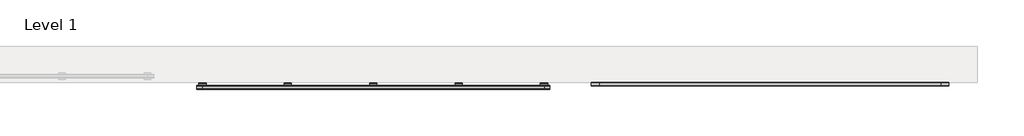
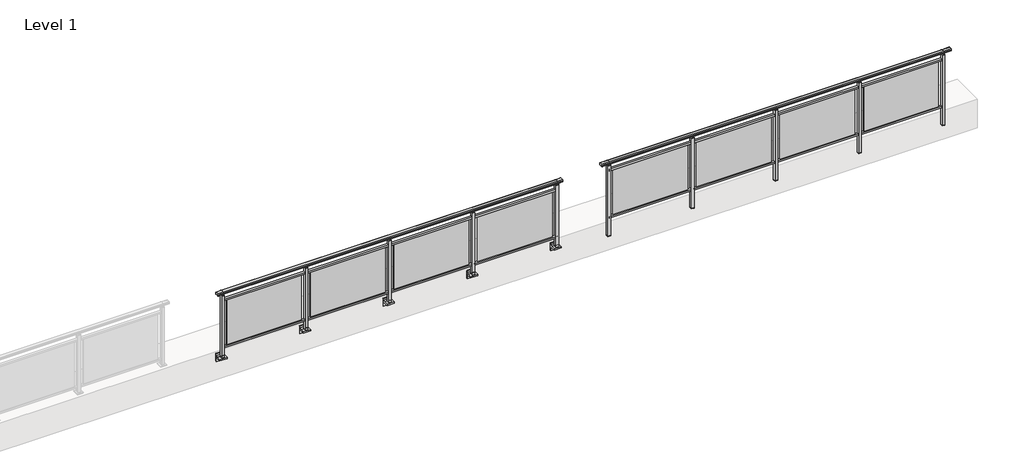
# One storey, part 4 of 64: 2 railings.
"""IFC4 building model written with IfcOpenShell, lengths in millimetres."""

from ifc_helpers import new_model, si_unit, point, frame, frame_2d, origin, place, context, project, spatial, polyline, circle_curve, trimmed, segment, composite_curve, outline, extrude, element, save
from ifc_brep_helpers import plane_surface, cylinder_surface, revolved_surface, advanced_brep

model = new_model("IFC4")

# Units and contexts
model_context = context("Model", 3, world=origin())
ifc_project = project(units=[si_unit("LENGTHUNIT", "METRE", prefix="MILLI")], contexts=[model_context])

# Site, building, storey
site = spatial("IfcSite", under=ifc_project)
building = spatial("IfcBuilding", under=site)
storey = spatial("IfcBuildingStorey", under=building, Name="Level 1", Elevation=0.0)

# Railings
placement = place(None, origin())
element("IfcRailing", 1, at=placement, inside=storey, context=model_context, shape_type="SolidModel", body=[
    advanced_brep(
    [(49372.5, -107.1366244, 1095.6691182), (49372.5, -102.3153172, 1081.1334092), (49372.5, -103.2586256, 1069.2539035), (49372.5, -101.3635823, 1061.4863007), (49372.5, -103.0105201, 1060.384124), (49372.5, -103.0105201, 1062.0), (49372.5, -161.6201142, 1062.0), (49372.5, -161.6201142, 1060.384124), (49372.5, -163.267052, 1061.4863007), (49372.5, -161.3720088, 1069.2539035), (49372.5, -162.3153172, 1081.1334092), (49372.5, -157.49401, 1095.6691182), (55227.5, -107.1366244, 1095.6691182), (55227.5, -157.49401, 1095.6691182), (55227.5, -162.3153172, 1081.1334092), (55227.5, -161.3720088, 1069.2539035), (55227.5, -163.267052, 1061.4863007), (55227.5, -161.6201142, 1060.384124), (55227.5, -161.6201142, 1062.0), (55227.5, -103.0105201, 1062.0), (55227.5, -103.0105201, 1060.384124), (55227.5, -101.3635823, 1061.4863007), (55227.5, -103.2586256, 1069.2539035), (55227.5, -102.3153172, 1081.1334092), (49500.0, -107.1366244, 1095.6691182), (49500.0, -102.3153172, 1081.1334092), (49500.0, -103.2586256, 1069.2539035), (49500.0, -101.3635823, 1061.4863007), (49500.0, -103.0105201, 1060.384124), (49500.0, -103.0105201, 1062.0), (49500.0, -161.6201142, 1062.0), (49500.0, -161.6201142, 1060.384124), (49500.0, -163.267052, 1061.4863007), (49500.0, -161.3720088, 1069.2539035), (49500.0, -162.3153172, 1081.1334092), (49500.0, -157.49401, 1095.6691182), (55100.0, -107.1366244, 1095.6691182), (55100.0, -102.3153172, 1081.1334092), (55100.0, -103.2586256, 1069.2539035), (55100.0, -101.3635823, 1061.4863007), (55100.0, -103.0105201, 1060.384124), (55100.0, -103.0105201, 1062.0), (55100.0, -161.6201142, 1062.0), (55100.0, -161.6201142, 1060.384124), (55100.0, -163.267052, 1061.4863007), (55100.0, -161.3720088, 1069.2539035), (55100.0, -162.3153172, 1081.1334092), (55100.0, -157.49401, 1095.6691182)],
    [
        (0, 1, circle_curve(frame((49372.5, -110.3776155, 1086.526686), z_axis=(-1.0, 0.0, 0.0), x_axis=(0.0, -1.0, 0.0)), 9.6999015)),
        (1, 2, circle_curve(frame((49372.5, -84.7747455, 1073.7633709), z_axis=(1.0, 0.0, 0.0), x_axis=(0.0, -1.0, 0.0)), 19.0260117)),
        (2, 3),
        (3, 4, circle_curve(frame((49372.5, -102.2227927, 1060.9886194), z_axis=(-1.0, 0.0, 0.0), x_axis=(0.0, -1.0, 0.0)), 0.9929396)),
        (4, 5),
        (5, 6),
        (6, 7),
        (7, 8, circle_curve(frame((49372.5, -162.4078416, 1060.9886194), z_axis=(-1.0, 0.0, 0.0), x_axis=(0.0, 1.0, 0.0)), 0.9929396)),
        (8, 9),
        (9, 10, circle_curve(frame((49372.5, -179.8558889, 1073.7633709), z_axis=(1.0, 0.0, 0.0), x_axis=(0.0, 1.0, 0.0)), 19.0260117)),
        (10, 11, circle_curve(frame((49372.5, -154.2530188, 1086.526686), z_axis=(-1.0, 0.0, 0.0), x_axis=(0.0, 1.0, 0.0)), 9.6999015)),
        (11, 0, circle_curve(frame((49372.5, -132.3153172, 1024.6431628), z_axis=(-1.0, 0.0, 0.0), x_axis=(0.0, 1.0, 0.0)), 75.3568372)),
        (12, 13, circle_curve(frame((55227.5, -132.3153172, 1024.6431628), z_axis=(1.0, 0.0, 0.0), x_axis=(0.0, 1.0, 0.0)), 75.3568372)),
        (13, 14, circle_curve(frame((55227.5, -154.2530188, 1086.526686), z_axis=(1.0, 0.0, 0.0), x_axis=(0.0, 1.0, 0.0)), 9.6999015)),
        (14, 15, circle_curve(frame((55227.5, -179.8558889, 1073.7633709), z_axis=(-1.0, 0.0, 0.0), x_axis=(0.0, 1.0, 0.0)), 19.0260117)),
        (15, 16),
        (16, 17, circle_curve(frame((55227.5, -162.4078416, 1060.9886194), z_axis=(1.0, 0.0, 0.0), x_axis=(0.0, 1.0, 0.0)), 0.9929396)),
        (17, 18),
        (18, 19),
        (19, 20),
        (20, 21, circle_curve(frame((55227.5, -102.2227927, 1060.9886194), z_axis=(1.0, 0.0, 0.0), x_axis=(0.0, -1.0, 0.0)), 0.9929396)),
        (21, 22),
        (22, 23, circle_curve(frame((55227.5, -84.7747455, 1073.7633709), z_axis=(-1.0, 0.0, 0.0), x_axis=(0.0, -1.0, 0.0)), 19.0260117)),
        (23, 12, circle_curve(frame((55227.5, -110.3776155, 1086.526686), z_axis=(1.0, 0.0, 0.0), x_axis=(0.0, -1.0, 0.0)), 9.6999015)),
        (0, 24),
        (24, 25, circle_curve(frame((49500.0, -110.3776155, 1086.526686), z_axis=(-1.0, 0.0, 0.0), x_axis=(0.0, -1.0, 0.0)), 9.6999015)),
        (25, 1),
        (25, 26, circle_curve(frame((49500.0, -84.7747455, 1073.7633709), z_axis=(1.0, 0.0, 0.0), x_axis=(0.0, -1.0, 0.0)), 19.0260117)),
        (26, 2),
        (26, 27),
        (27, 3),
        (27, 28, circle_curve(frame((49500.0, -102.2227927, 1060.9886194), z_axis=(-1.0, 0.0, 0.0), x_axis=(0.0, -1.0, 0.0)), 0.9929396)),
        (28, 4),
        (28, 29),
        (29, 5),
        (29, 30),
        (30, 6),
        (30, 31),
        (31, 7),
        (31, 32, circle_curve(frame((49500.0, -162.4078416, 1060.9886194), z_axis=(-1.0, 0.0, 0.0), x_axis=(0.0, 1.0, 0.0)), 0.9929396)),
        (32, 8),
        (32, 33),
        (33, 9),
        (33, 34, circle_curve(frame((49500.0, -179.8558889, 1073.7633709), z_axis=(1.0, 0.0, 0.0), x_axis=(0.0, 1.0, 0.0)), 19.0260117)),
        (34, 10),
        (34, 35, circle_curve(frame((49500.0, -154.2530188, 1086.526686), z_axis=(-1.0, 0.0, 0.0), x_axis=(0.0, 1.0, 0.0)), 9.6999015)),
        (35, 11),
        (35, 24, circle_curve(frame((49500.0, -132.3153172, 1024.6431628), z_axis=(-1.0, 0.0, 0.0), x_axis=(0.0, 1.0, 0.0)), 75.3568372)),
        (24, 36),
        (36, 37, circle_curve(frame((55100.0, -110.3776155, 1086.526686), z_axis=(-1.0, 0.0, 0.0), x_axis=(0.0, -1.0, 0.0)), 9.6999015)),
        (37, 25),
        (37, 38, circle_curve(frame((55100.0, -84.7747455, 1073.7633709), z_axis=(1.0, 0.0, 0.0), x_axis=(0.0, -1.0, 0.0)), 19.0260117)),
        (38, 26),
        (38, 39),
        (39, 27),
        (39, 40, circle_curve(frame((55100.0, -102.2227927, 1060.9886194), z_axis=(-1.0, 0.0, 0.0), x_axis=(0.0, -1.0, 0.0)), 0.9929396)),
        (40, 28),
        (40, 41),
        (41, 29),
        (41, 42),
        (42, 30),
        (42, 43),
        (43, 31),
        (43, 44, circle_curve(frame((55100.0, -162.4078416, 1060.9886194), z_axis=(-1.0, 0.0, 0.0), x_axis=(0.0, 1.0, 0.0)), 0.9929396)),
        (44, 32),
        (44, 45),
        (45, 33),
        (45, 46, circle_curve(frame((55100.0, -179.8558889, 1073.7633709), z_axis=(1.0, 0.0, 0.0), x_axis=(0.0, 1.0, 0.0)), 19.0260117)),
        (46, 34),
        (46, 47, circle_curve(frame((55100.0, -154.2530188, 1086.526686), z_axis=(-1.0, 0.0, 0.0), x_axis=(0.0, 1.0, 0.0)), 9.6999015)),
        (47, 35),
        (47, 36, circle_curve(frame((55100.0, -132.3153172, 1024.6431628), z_axis=(-1.0, 0.0, 0.0), x_axis=(0.0, 1.0, 0.0)), 75.3568372)),
        (36, 12),
        (23, 37),
        (22, 38),
        (21, 39),
        (20, 40),
        (19, 41),
        (18, 42),
        (17, 43),
        (16, 44),
        (15, 45),
        (14, 46),
        (13, 47),
    ],
    [
        plane_surface(frame((49372.5, -132.3153172, 1100.0), z_axis=(-1.0, 0.0, 0.0), x_axis=(0.0, 1.0, 0.0))),
        plane_surface(frame((55227.5, -132.3153172, 1100.0), z_axis=(1.0, 0.0, 0.0), x_axis=(0.0, 1.0, 0.0))),
        cylinder_surface(frame((49372.5, -110.3776155, 1086.526686), z_axis=(-1.0, 0.0, 0.0), x_axis=(0.0, -1.0, 0.0)), 9.6999015),
        revolved_surface(polyline([(49500.0, -103.80075719999999, 1073.7633709), (49372.5, -103.80075719999999, 1073.7633709)]), (49372.5, -84.7747455, 1073.7633709), (1.0, 0.0, 0.0)),
        plane_surface(frame((49372.5, -103.2586256, 1069.2539035), z_axis=(0.0, 0.9715057689301543, 0.2370159086125439), x_axis=(1.0, 0.0, 0.0))),
        cylinder_surface(frame((49372.5, -102.2227927, 1060.9886194), z_axis=(-1.0, 0.0, 0.0), x_axis=(0.0, -1.0, 0.0)), 0.9929396),
        plane_surface(frame((49372.5, -103.0105201, 1060.384124), z_axis=(0.0, -1.0, 0.0), x_axis=(1.0, 0.0, 0.0))),
        plane_surface(frame((49372.5, -103.0105201, 1062.0), z_axis=(0.0, 0.0, -1.0), x_axis=(1.0, 0.0, 0.0))),
        plane_surface(frame((49372.5, -161.6201142, 1062.0), z_axis=(0.0, 1.0, 0.0), x_axis=(1.0, 0.0, 0.0))),
        cylinder_surface(frame((49372.5, -162.4078416, 1060.9886194), z_axis=(-1.0, 0.0, 0.0), x_axis=(0.0, 1.0, 0.0)), 0.9929396),
        plane_surface(frame((49372.5, -163.267052, 1061.4863007), z_axis=(0.0, -0.9715057689301543, 0.2370159086125439), x_axis=(1.0, 0.0, 0.0))),
        revolved_surface(polyline([(49500.0, -160.8298772, 1073.7633709), (49372.5, -160.8298772, 1073.7633709)]), (49372.5, -179.8558889, 1073.7633709), (1.0, 0.0, 0.0)),
        cylinder_surface(frame((49372.5, -154.2530188, 1086.526686), z_axis=(-1.0, 0.0, 0.0), x_axis=(0.0, 1.0, 0.0)), 9.6999015),
        cylinder_surface(frame((49372.5, -132.3153172, 1024.6431628), z_axis=(-1.0, 0.0, 0.0), x_axis=(0.0, 1.0, 0.0)), 75.3568372),
        cylinder_surface(frame((49500.0, -110.3776155, 1086.526686), z_axis=(-1.0, 0.0, 0.0), x_axis=(0.0, -1.0, 0.0)), 9.6999015),
        revolved_surface(polyline([(55100.0, -103.80075719999999, 1073.7633709), (49500.0, -103.80075719999999, 1073.7633709)]), (49500.0, -84.7747455, 1073.7633709), (1.0, 0.0, 0.0)),
        plane_surface(frame((49500.0, -103.2586256, 1069.2539035), z_axis=(0.0, 0.9715057689301543, 0.2370159086125439), x_axis=(1.0, 0.0, 0.0))),
        cylinder_surface(frame((49500.0, -102.2227927, 1060.9886194), z_axis=(-1.0, 0.0, 0.0), x_axis=(0.0, -1.0, 0.0)), 0.9929396),
        plane_surface(frame((49500.0, -103.0105201, 1060.384124), z_axis=(0.0, -1.0, 0.0), x_axis=(1.0, 0.0, 0.0))),
        plane_surface(frame((49500.0, -103.0105201, 1062.0), z_axis=(0.0, 0.0, -1.0), x_axis=(1.0, 0.0, 0.0))),
        plane_surface(frame((49500.0, -161.6201142, 1062.0), z_axis=(0.0, 1.0, 0.0), x_axis=(1.0, 0.0, 0.0))),
        cylinder_surface(frame((49500.0, -162.4078416, 1060.9886194), z_axis=(-1.0, 0.0, 0.0), x_axis=(0.0, 1.0, 0.0)), 0.9929396),
        plane_surface(frame((49500.0, -163.267052, 1061.4863007), z_axis=(0.0, -0.9715057689301543, 0.2370159086125439), x_axis=(1.0, 0.0, 0.0))),
        revolved_surface(polyline([(55100.0, -160.8298772, 1073.7633709), (49500.0, -160.8298772, 1073.7633709)]), (49500.0, -179.8558889, 1073.7633709), (1.0, 0.0, 0.0)),
        cylinder_surface(frame((49500.0, -154.2530188, 1086.526686), z_axis=(-1.0, 0.0, 0.0), x_axis=(0.0, 1.0, 0.0)), 9.6999015),
        cylinder_surface(frame((49500.0, -132.3153172, 1024.6431628), z_axis=(-1.0, 0.0, 0.0), x_axis=(0.0, 1.0, 0.0)), 75.3568372),
        cylinder_surface(frame((55100.0, -110.3776155, 1086.526686), z_axis=(-1.0, 0.0, 0.0), x_axis=(0.0, -1.0, 0.0)), 9.6999015),
        revolved_surface(polyline([(55227.5, -103.80075719999999, 1073.7633709), (55100.0, -103.80075719999999, 1073.7633709)]), (55100.0, -84.7747455, 1073.7633709), (1.0, 0.0, 0.0)),
        plane_surface(frame((55100.0, -103.2586256, 1069.2539035), z_axis=(0.0, 0.9715057689301543, 0.2370159086125439), x_axis=(1.0, 0.0, 0.0))),
        cylinder_surface(frame((55100.0, -102.2227927, 1060.9886194), z_axis=(-1.0, 0.0, 0.0), x_axis=(0.0, -1.0, 0.0)), 0.9929396),
        plane_surface(frame((55100.0, -103.0105201, 1060.384124), z_axis=(0.0, -1.0, 0.0), x_axis=(1.0, 0.0, 0.0))),
        plane_surface(frame((55100.0, -103.0105201, 1062.0), z_axis=(0.0, 0.0, -1.0), x_axis=(1.0, 0.0, 0.0))),
        plane_surface(frame((55100.0, -161.6201142, 1062.0), z_axis=(0.0, 1.0, 0.0), x_axis=(1.0, 0.0, 0.0))),
        cylinder_surface(frame((55100.0, -162.4078416, 1060.9886194), z_axis=(-1.0, 0.0, 0.0), x_axis=(0.0, 1.0, 0.0)), 0.9929396),
        plane_surface(frame((55100.0, -163.267052, 1061.4863007), z_axis=(0.0, -0.9715057689301543, 0.2370159086125439), x_axis=(1.0, 0.0, 0.0))),
        revolved_surface(polyline([(55227.5, -160.8298772, 1073.7633709), (55100.0, -160.8298772, 1073.7633709)]), (55100.0, -179.8558889, 1073.7633709), (1.0, 0.0, 0.0)),
        cylinder_surface(frame((55100.0, -154.2530188, 1086.526686), z_axis=(-1.0, 0.0, 0.0), x_axis=(0.0, 1.0, 0.0)), 9.6999015),
        cylinder_surface(frame((55100.0, -132.3153172, 1024.6431628), z_axis=(-1.0, 0.0, 0.0), x_axis=(0.0, 1.0, 0.0)), 75.3568372),
    ],
    [
        (0, [[1, 2, 3, 4, 5, 6, 7, 8, 9, 10, 11, 12]]),
        (1, [[13, 14, 15, 16, 17, 18, 19, 20, 21, 22, 23, 24]]),
        (2, [[-1, 25, 26, 27]]),
        (3, [[-2, -27, 28, 29]]),
        (4, [[-3, -29, 30, 31]]),
        (5, [[-4, -31, 32, 33]]),
        (6, [[-5, -33, 34, 35]]),
        (7, [[-6, -35, 36, 37]]),
        (8, [[-7, -37, 38, 39]]),
        (9, [[-8, -39, 40, 41]]),
        (10, [[-9, -41, 42, 43]]),
        (11, [[-10, -43, 44, 45]]),
        (12, [[-11, -45, 46, 47]]),
        (13, [[-12, -47, 48, -25]]),
        (14, [[-26, 49, 50, 51]]),
        (15, [[-28, -51, 52, 53]]),
        (16, [[-30, -53, 54, 55]]),
        (17, [[-32, -55, 56, 57]]),
        (18, [[-34, -57, 58, 59]]),
        (19, [[-36, -59, 60, 61]]),
        (20, [[-38, -61, 62, 63]]),
        (21, [[-40, -63, 64, 65]]),
        (22, [[-42, -65, 66, 67]]),
        (23, [[-44, -67, 68, 69]]),
        (24, [[-46, -69, 70, 71]]),
        (25, [[-48, -71, 72, -49]]),
        (26, [[-50, 73, -24, 74]]),
        (27, [[-52, -74, -23, 75]]),
        (28, [[-54, -75, -22, 76]]),
        (29, [[-56, -76, -21, 77]]),
        (30, [[-58, -77, -20, 78]]),
        (31, [[-60, -78, -19, 79]]),
        (32, [[-62, -79, -18, 80]]),
        (33, [[-64, -80, -17, 81]]),
        (34, [[-66, -81, -16, 82]]),
        (35, [[-68, -82, -15, 83]]),
        (36, [[-70, -83, -14, 84]]),
        (37, [[-72, -84, -13, -73]]),
    ],
),
    extrude(outline(polyline([(49500.0, -149.8153172), (49500.0, -114.8153172), (55100.0, -114.8153172), (55100.0, -149.8153172), (49500.0, -149.8153172)])), frame((0.0, 0.0, 930.0), z_axis=(0.0, 0.0, 1.0), x_axis=(1.0, 0.0, 0.0)), (0.0, 0.0, 1.0), 30.0),
    extrude(outline(polyline([(49500.0, -149.8153172), (49500.0, -114.8153172), (55100.0, -114.8153172), (55100.0, -149.8153172), (49500.0, -149.8153172)])), frame((0.0, 0.0, 95.0), z_axis=(0.0, 0.0, 1.0), x_axis=(1.0, 0.0, 0.0)), (0.0, 0.0, 1.0), 30.0),
    extrude(outline(polyline([(53772.5, -134.0905071), (53772.5, -128.0905071), (55027.5, -128.0905071), (55027.5, -134.0905071), (53772.5, -134.0905071)])), frame((0.0, 0.0, 125.0), z_axis=(0.0, 0.0, 1.0), x_axis=(1.0, 0.0, 0.0)), (0.0, 0.0, 1.0), 805.0),
    extrude(outline(polyline([(53722.5, -109.8153172), (53722.5, -154.8153172), (53677.5, -154.8153172), (53677.5, -109.8153172), (53722.5, -109.8153172)])), frame((0.0, 0.0, 1027.0), z_axis=(0.0, 0.0, 1.0), x_axis=(1.0, 0.0, 0.0)), (0.0, 0.0, 1.0), 8.0),
    extrude(outline(polyline([(53722.5, -109.8153172), (53722.5, -154.8153172), (53677.5, -154.8153172), (53677.5, -109.8153172), (53722.5, -109.8153172)])), frame((0.0, 0.0, -212.0), z_axis=(0.0, 0.0, 1.0), x_axis=(1.0, 0.0, 0.0)), (0.0, 0.0, 1.0), 1239.0),
    extrude(outline(polyline([(53710.0, -122.3153172), (53710.0, -142.3153172), (53690.0, -142.3153172), (53690.0, -122.3153172), (53710.0, -122.3153172)])), frame((0.0, 0.0, 1035.0), z_axis=(0.0, 0.0, 1.0), x_axis=(1.0, 0.0, 0.0)), (0.0, 0.0, 1.0), 20.0),
    extrude(outline(polyline([(53722.5, -109.8153172), (53722.5, -154.8153172), (53677.5, -154.8153172), (53677.5, -109.8153172), (53722.5, -109.8153172)])), frame((0.0, 0.0, -220.0), z_axis=(0.0, 0.0, 1.0), x_axis=(1.0, 0.0, 0.0)), (0.0, 0.0, 1.0), 8.0),
    extrude(outline(polyline([(52372.5, -134.0905071), (52372.5, -128.0905071), (53627.5, -128.0905071), (53627.5, -134.0905071), (52372.5, -134.0905071)])), frame((0.0, 0.0, 125.0), z_axis=(0.0, 0.0, 1.0), x_axis=(1.0, 0.0, 0.0)), (0.0, 0.0, 1.0), 805.0),
    extrude(outline(polyline([(52322.5, -109.8153172), (52322.5, -154.8153172), (52277.5, -154.8153172), (52277.5, -109.8153172), (52322.5, -109.8153172)])), frame((0.0, 0.0, 1027.0), z_axis=(0.0, 0.0, 1.0), x_axis=(1.0, 0.0, 0.0)), (0.0, 0.0, 1.0), 8.0),
    extrude(outline(polyline([(52322.5, -109.8153172), (52322.5, -154.8153172), (52277.5, -154.8153172), (52277.5, -109.8153172), (52322.5, -109.8153172)])), frame((0.0, 0.0, -212.0), z_axis=(0.0, 0.0, 1.0), x_axis=(1.0, 0.0, 0.0)), (0.0, 0.0, 1.0), 1239.0),
    extrude(outline(polyline([(52310.0, -122.3153172), (52310.0, -142.3153172), (52290.0, -142.3153172), (52290.0, -122.3153172), (52310.0, -122.3153172)])), frame((0.0, 0.0, 1035.0), z_axis=(0.0, 0.0, 1.0), x_axis=(1.0, 0.0, 0.0)), (0.0, 0.0, 1.0), 20.0),
    extrude(outline(polyline([(52322.5, -109.8153172), (52322.5, -154.8153172), (52277.5, -154.8153172), (52277.5, -109.8153172), (52322.5, -109.8153172)])), frame((0.0, 0.0, -220.0), z_axis=(0.0, 0.0, 1.0), x_axis=(1.0, 0.0, 0.0)), (0.0, 0.0, 1.0), 8.0),
    extrude(outline(polyline([(50972.5, -134.0905071), (50972.5, -128.0905071), (52227.5, -128.0905071), (52227.5, -134.0905071), (50972.5, -134.0905071)])), frame((0.0, 0.0, 125.0), z_axis=(0.0, 0.0, 1.0), x_axis=(1.0, 0.0, 0.0)), (0.0, 0.0, 1.0), 805.0),
    extrude(outline(polyline([(50922.5, -109.8153172), (50922.5, -154.8153172), (50877.5, -154.8153172), (50877.5, -109.8153172), (50922.5, -109.8153172)])), frame((0.0, 0.0, 1027.0), z_axis=(0.0, 0.0, 1.0), x_axis=(1.0, 0.0, 0.0)), (0.0, 0.0, 1.0), 8.0),
    extrude(outline(polyline([(50922.5, -109.8153172), (50922.5, -154.8153172), (50877.5, -154.8153172), (50877.5, -109.8153172), (50922.5, -109.8153172)])), frame((0.0, 0.0, -212.0), z_axis=(0.0, 0.0, 1.0), x_axis=(1.0, 0.0, 0.0)), (0.0, 0.0, 1.0), 1239.0),
    extrude(outline(polyline([(50910.0, -122.3153172), (50910.0, -142.3153172), (50890.0, -142.3153172), (50890.0, -122.3153172), (50910.0, -122.3153172)])), frame((0.0, 0.0, 1035.0), z_axis=(0.0, 0.0, 1.0), x_axis=(1.0, 0.0, 0.0)), (0.0, 0.0, 1.0), 20.0),
    extrude(outline(polyline([(50922.5, -109.8153172), (50922.5, -154.8153172), (50877.5, -154.8153172), (50877.5, -109.8153172), (50922.5, -109.8153172)])), frame((0.0, 0.0, -220.0), z_axis=(0.0, 0.0, 1.0), x_axis=(1.0, 0.0, 0.0)), (0.0, 0.0, 1.0), 8.0),
    extrude(outline(polyline([(49572.5, -134.0905071), (49572.5, -128.0905071), (50827.5, -128.0905071), (50827.5, -134.0905071), (49572.5, -134.0905071)])), frame((0.0, 0.0, 125.0), z_axis=(0.0, 0.0, 1.0), x_axis=(1.0, 0.0, 0.0)), (0.0, 0.0, 1.0), 805.0),
    extrude(outline(polyline([(55122.5, -109.8153172), (55122.5, -154.8153172), (55077.5, -154.8153172), (55077.5, -109.8153172), (55122.5, -109.8153172)])), frame((0.0, 0.0, 1027.0), z_axis=(0.0, 0.0, 1.0), x_axis=(1.0, 0.0, 0.0)), (0.0, 0.0, 1.0), 8.0),
    extrude(outline(polyline([(55122.5, -109.8153172), (55122.5, -154.8153172), (55077.5, -154.8153172), (55077.5, -109.8153172), (55122.5, -109.8153172)])), frame((0.0, 0.0, -212.0), z_axis=(0.0, 0.0, 1.0), x_axis=(1.0, 0.0, 0.0)), (0.0, 0.0, 1.0), 1239.0),
    extrude(outline(polyline([(55110.0, -122.3153172), (55110.0, -142.3153172), (55090.0, -142.3153172), (55090.0, -122.3153172), (55110.0, -122.3153172)])), frame((0.0, 0.0, 1035.0), z_axis=(0.0, 0.0, 1.0), x_axis=(1.0, 0.0, 0.0)), (0.0, 0.0, 1.0), 20.0),
    extrude(outline(polyline([(55122.5, -109.8153172), (55122.5, -154.8153172), (55077.5, -154.8153172), (55077.5, -109.8153172), (55122.5, -109.8153172)])), frame((0.0, 0.0, -220.0), z_axis=(0.0, 0.0, 1.0), x_axis=(1.0, 0.0, 0.0)), (0.0, 0.0, 1.0), 8.0),
    extrude(outline(polyline([(49522.5, -109.8153172), (49522.5, -154.8153172), (49477.5, -154.8153172), (49477.5, -109.8153172), (49522.5, -109.8153172)])), frame((0.0, 0.0, 1027.0), z_axis=(0.0, 0.0, 1.0), x_axis=(1.0, 0.0, 0.0)), (0.0, 0.0, 1.0), 8.0),
    extrude(outline(polyline([(49522.5, -109.8153172), (49522.5, -154.8153172), (49477.5, -154.8153172), (49477.5, -109.8153172), (49522.5, -109.8153172)])), frame((0.0, 0.0, -212.0), z_axis=(0.0, 0.0, 1.0), x_axis=(1.0, 0.0, 0.0)), (0.0, 0.0, 1.0), 1239.0),
    extrude(outline(polyline([(49510.0, -122.3153172), (49510.0, -142.3153172), (49490.0, -142.3153172), (49490.0, -122.3153172), (49510.0, -122.3153172)])), frame((0.0, 0.0, 1035.0), z_axis=(0.0, 0.0, 1.0), x_axis=(1.0, 0.0, 0.0)), (0.0, 0.0, 1.0), 20.0),
    extrude(outline(polyline([(49522.5, -109.8153172), (49522.5, -154.8153172), (49477.5, -154.8153172), (49477.5, -109.8153172), (49522.5, -109.8153172)])), frame((0.0, 0.0, -220.0), z_axis=(0.0, 0.0, 1.0), x_axis=(1.0, 0.0, 0.0)), (0.0, 0.0, 1.0), 8.0),
])
element("IfcRailing", 2, at=placement, inside=storey, context=model_context, shape_type="SolidModel", body=[
    advanced_brep(
    [(42910.0, -157.1366244, 1095.6691182), (42910.0, -152.3153172, 1081.1334092), (42910.0, -153.2586256, 1069.2539035), (42910.0, -151.3635823, 1061.4863007), (42910.0, -153.0105201, 1060.384124), (42910.0, -153.0105201, 1062.0), (42910.0, -211.6201142, 1062.0), (42910.0, -211.6201142, 1060.384124), (42910.0, -213.267052, 1061.4863007), (42910.0, -211.3720088, 1069.2539035), (42910.0, -212.3153172, 1081.1334092), (42910.0, -207.49401, 1095.6691182), (48690.0, -157.1366244, 1095.6691182), (48690.0, -207.49401, 1095.6691182), (48690.0, -212.3153172, 1081.1334092), (48690.0, -211.3720088, 1069.2539035), (48690.0, -213.267052, 1061.4863007), (48690.0, -211.6201142, 1060.384124), (48690.0, -211.6201142, 1062.0), (48690.0, -153.0105201, 1062.0), (48690.0, -153.0105201, 1060.384124), (48690.0, -151.3635823, 1061.4863007), (48690.0, -153.2586256, 1069.2539035), (48690.0, -152.3153172, 1081.1334092), (43000.0, -157.1366244, 1095.6691182), (43000.0, -152.3153172, 1081.1334092), (43000.0, -153.2586256, 1069.2539035), (43000.0, -151.3635823, 1061.4863007), (43000.0, -153.0105201, 1060.384124), (43000.0, -153.0105201, 1062.0), (43000.0, -211.6201142, 1062.0), (43000.0, -211.6201142, 1060.384124), (43000.0, -213.267052, 1061.4863007), (43000.0, -211.3720088, 1069.2539035), (43000.0, -212.3153172, 1081.1334092), (43000.0, -207.49401, 1095.6691182), (48600.0, -157.1366244, 1095.6691182), (48600.0, -152.3153172, 1081.1334092), (48600.0, -153.2586256, 1069.2539035), (48600.0, -151.3635823, 1061.4863007), (48600.0, -153.0105201, 1060.384124), (48600.0, -153.0105201, 1062.0), (48600.0, -211.6201142, 1062.0), (48600.0, -211.6201142, 1060.384124), (48600.0, -213.267052, 1061.4863007), (48600.0, -211.3720088, 1069.2539035), (48600.0, -212.3153172, 1081.1334092), (48600.0, -207.49401, 1095.6691182)],
    [
        (0, 1, circle_curve(frame((42910.0, -160.3776155, 1086.526686), z_axis=(-1.0, 0.0, 0.0), x_axis=(0.0, -1.0, 0.0)), 9.6999015)),
        (1, 2, circle_curve(frame((42910.0, -134.7747455, 1073.7633709), z_axis=(1.0, 0.0, 0.0), x_axis=(0.0, -1.0, 0.0)), 19.0260117)),
        (2, 3),
        (3, 4, circle_curve(frame((42910.0, -152.2227927, 1060.9886194), z_axis=(-1.0, 0.0, 0.0), x_axis=(0.0, -1.0, 0.0)), 0.9929396)),
        (4, 5),
        (5, 6),
        (6, 7),
        (7, 8, circle_curve(frame((42910.0, -212.4078416, 1060.9886194), z_axis=(-1.0, 0.0, 0.0), x_axis=(0.0, 1.0, 0.0)), 0.9929396)),
        (8, 9),
        (9, 10, circle_curve(frame((42910.0, -229.8558889, 1073.7633709), z_axis=(1.0, 0.0, 0.0), x_axis=(0.0, 1.0, 0.0)), 19.0260117)),
        (10, 11, circle_curve(frame((42910.0, -204.2530188, 1086.526686), z_axis=(-1.0, 0.0, 0.0), x_axis=(0.0, 1.0, 0.0)), 9.6999015)),
        (11, 0, circle_curve(frame((42910.0, -182.3153172, 1024.6431628), z_axis=(-1.0, 0.0, 0.0), x_axis=(0.0, 1.0, 0.0)), 75.3568372)),
        (12, 13, circle_curve(frame((48690.0, -182.3153172, 1024.6431628), z_axis=(1.0, 0.0, 0.0), x_axis=(0.0, 1.0, 0.0)), 75.3568372)),
        (13, 14, circle_curve(frame((48690.0, -204.2530188, 1086.526686), z_axis=(1.0, 0.0, 0.0), x_axis=(0.0, 1.0, 0.0)), 9.6999015)),
        (14, 15, circle_curve(frame((48690.0, -229.8558889, 1073.7633709), z_axis=(-1.0, 0.0, 0.0), x_axis=(0.0, 1.0, 0.0)), 19.0260117)),
        (15, 16),
        (16, 17, circle_curve(frame((48690.0, -212.4078416, 1060.9886194), z_axis=(1.0, 0.0, 0.0), x_axis=(0.0, 1.0, 0.0)), 0.9929396)),
        (17, 18),
        (18, 19),
        (19, 20),
        (20, 21, circle_curve(frame((48690.0, -152.2227927, 1060.9886194), z_axis=(1.0, 0.0, 0.0), x_axis=(0.0, -1.0, 0.0)), 0.9929396)),
        (21, 22),
        (22, 23, circle_curve(frame((48690.0, -134.7747455, 1073.7633709), z_axis=(-1.0, 0.0, 0.0), x_axis=(0.0, -1.0, 0.0)), 19.0260117)),
        (23, 12, circle_curve(frame((48690.0, -160.3776155, 1086.526686), z_axis=(1.0, 0.0, 0.0), x_axis=(0.0, -1.0, 0.0)), 9.6999015)),
        (0, 24),
        (24, 25, circle_curve(frame((43000.0, -160.3776155, 1086.526686), z_axis=(-1.0, 0.0, 0.0), x_axis=(0.0, -1.0, 0.0)), 9.6999015)),
        (25, 1),
        (25, 26, circle_curve(frame((43000.0, -134.7747455, 1073.7633709), z_axis=(1.0, 0.0, 0.0), x_axis=(0.0, -1.0, 0.0)), 19.0260117)),
        (26, 2),
        (26, 27),
        (27, 3),
        (27, 28, circle_curve(frame((43000.0, -152.2227927, 1060.9886194), z_axis=(-1.0, 0.0, 0.0), x_axis=(0.0, -1.0, 0.0)), 0.9929396)),
        (28, 4),
        (28, 29),
        (29, 5),
        (29, 30),
        (30, 6),
        (30, 31),
        (31, 7),
        (31, 32, circle_curve(frame((43000.0, -212.4078416, 1060.9886194), z_axis=(-1.0, 0.0, 0.0), x_axis=(0.0, 1.0, 0.0)), 0.9929396)),
        (32, 8),
        (32, 33),
        (33, 9),
        (33, 34, circle_curve(frame((43000.0, -229.8558889, 1073.7633709), z_axis=(1.0, 0.0, 0.0), x_axis=(0.0, 1.0, 0.0)), 19.0260117)),
        (34, 10),
        (34, 35, circle_curve(frame((43000.0, -204.2530188, 1086.526686), z_axis=(-1.0, 0.0, 0.0), x_axis=(0.0, 1.0, 0.0)), 9.6999015)),
        (35, 11),
        (35, 24, circle_curve(frame((43000.0, -182.3153172, 1024.6431628), z_axis=(-1.0, 0.0, 0.0), x_axis=(0.0, 1.0, 0.0)), 75.3568372)),
        (24, 36),
        (36, 37, circle_curve(frame((48600.0, -160.3776155, 1086.526686), z_axis=(-1.0, 0.0, 0.0), x_axis=(0.0, -1.0, 0.0)), 9.6999015)),
        (37, 25),
        (37, 38, circle_curve(frame((48600.0, -134.7747455, 1073.7633709), z_axis=(1.0, 0.0, 0.0), x_axis=(0.0, -1.0, 0.0)), 19.0260117)),
        (38, 26),
        (38, 39),
        (39, 27),
        (39, 40, circle_curve(frame((48600.0, -152.2227927, 1060.9886194), z_axis=(-1.0, 0.0, 0.0), x_axis=(0.0, -1.0, 0.0)), 0.9929396)),
        (40, 28),
        (40, 41),
        (41, 29),
        (41, 42),
        (42, 30),
        (42, 43),
        (43, 31),
        (43, 44, circle_curve(frame((48600.0, -212.4078416, 1060.9886194), z_axis=(-1.0, 0.0, 0.0), x_axis=(0.0, 1.0, 0.0)), 0.9929396)),
        (44, 32),
        (44, 45),
        (45, 33),
        (45, 46, circle_curve(frame((48600.0, -229.8558889, 1073.7633709), z_axis=(1.0, 0.0, 0.0), x_axis=(0.0, 1.0, 0.0)), 19.0260117)),
        (46, 34),
        (46, 47, circle_curve(frame((48600.0, -204.2530188, 1086.526686), z_axis=(-1.0, 0.0, 0.0), x_axis=(0.0, 1.0, 0.0)), 9.6999015)),
        (47, 35),
        (47, 36, circle_curve(frame((48600.0, -182.3153172, 1024.6431628), z_axis=(-1.0, 0.0, 0.0), x_axis=(0.0, 1.0, 0.0)), 75.3568372)),
        (36, 12),
        (23, 37),
        (22, 38),
        (21, 39),
        (20, 40),
        (19, 41),
        (18, 42),
        (17, 43),
        (16, 44),
        (15, 45),
        (14, 46),
        (13, 47),
    ],
    [
        plane_surface(frame((42910.0, -182.3153172, 1100.0), z_axis=(-1.0, 0.0, 0.0), x_axis=(0.0, 1.0, 0.0))),
        plane_surface(frame((48690.0, -182.3153172, 1100.0), z_axis=(1.0, 0.0, 0.0), x_axis=(0.0, 1.0, 0.0))),
        cylinder_surface(frame((42910.0, -160.3776155, 1086.526686), z_axis=(-1.0, 0.0, 0.0), x_axis=(0.0, -1.0, 0.0)), 9.6999015),
        revolved_surface(polyline([(43000.0, -153.8007572, 1073.7633709), (42910.0, -153.8007572, 1073.7633709)]), (42910.0, -134.7747455, 1073.7633709), (1.0, 0.0, 0.0)),
        plane_surface(frame((42910.0, -153.2586256, 1069.2539035), z_axis=(0.0, 0.9715057689301543, 0.2370159086125439), x_axis=(1.0, 0.0, 0.0))),
        cylinder_surface(frame((42910.0, -152.2227927, 1060.9886194), z_axis=(-1.0, 0.0, 0.0), x_axis=(0.0, -1.0, 0.0)), 0.9929396),
        plane_surface(frame((42910.0, -153.0105201, 1060.384124), z_axis=(0.0, -1.0, 0.0), x_axis=(1.0, 0.0, 0.0))),
        plane_surface(frame((42910.0, -153.0105201, 1062.0), z_axis=(0.0, 0.0, -1.0), x_axis=(1.0, 0.0, 0.0))),
        plane_surface(frame((42910.0, -211.6201142, 1062.0), z_axis=(0.0, 1.0, 0.0), x_axis=(1.0, 0.0, 0.0))),
        cylinder_surface(frame((42910.0, -212.4078416, 1060.9886194), z_axis=(-1.0, 0.0, 0.0), x_axis=(0.0, 1.0, 0.0)), 0.9929396),
        plane_surface(frame((42910.0, -213.267052, 1061.4863007), z_axis=(0.0, -0.9715057689301543, 0.2370159086125439), x_axis=(1.0, 0.0, 0.0))),
        revolved_surface(polyline([(43000.0, -210.8298772, 1073.7633709), (42910.0, -210.8298772, 1073.7633709)]), (42910.0, -229.8558889, 1073.7633709), (1.0, 0.0, 0.0)),
        cylinder_surface(frame((42910.0, -204.2530188, 1086.526686), z_axis=(-1.0, 0.0, 0.0), x_axis=(0.0, 1.0, 0.0)), 9.6999015),
        cylinder_surface(frame((42910.0, -182.3153172, 1024.6431628), z_axis=(-1.0, 0.0, 0.0), x_axis=(0.0, 1.0, 0.0)), 75.3568372),
        cylinder_surface(frame((43000.0, -160.3776155, 1086.526686), z_axis=(-1.0, 0.0, 0.0), x_axis=(0.0, -1.0, 0.0)), 9.6999015),
        revolved_surface(polyline([(48600.0, -153.8007572, 1073.7633709), (43000.0, -153.8007572, 1073.7633709)]), (43000.0, -134.7747455, 1073.7633709), (1.0, 0.0, 0.0)),
        plane_surface(frame((43000.0, -153.2586256, 1069.2539035), z_axis=(0.0, 0.9715057689301543, 0.2370159086125439), x_axis=(1.0, 0.0, 0.0))),
        cylinder_surface(frame((43000.0, -152.2227927, 1060.9886194), z_axis=(-1.0, 0.0, 0.0), x_axis=(0.0, -1.0, 0.0)), 0.9929396),
        plane_surface(frame((43000.0, -153.0105201, 1060.384124), z_axis=(0.0, -1.0, 0.0), x_axis=(1.0, 0.0, 0.0))),
        plane_surface(frame((43000.0, -153.0105201, 1062.0), z_axis=(0.0, 0.0, -1.0), x_axis=(1.0, 0.0, 0.0))),
        plane_surface(frame((43000.0, -211.6201142, 1062.0), z_axis=(0.0, 1.0, 0.0), x_axis=(1.0, 0.0, 0.0))),
        cylinder_surface(frame((43000.0, -212.4078416, 1060.9886194), z_axis=(-1.0, 0.0, 0.0), x_axis=(0.0, 1.0, 0.0)), 0.9929396),
        plane_surface(frame((43000.0, -213.267052, 1061.4863007), z_axis=(0.0, -0.9715057689301543, 0.2370159086125439), x_axis=(1.0, 0.0, 0.0))),
        revolved_surface(polyline([(48600.0, -210.8298772, 1073.7633709), (43000.0, -210.8298772, 1073.7633709)]), (43000.0, -229.8558889, 1073.7633709), (1.0, 0.0, 0.0)),
        cylinder_surface(frame((43000.0, -204.2530188, 1086.526686), z_axis=(-1.0, 0.0, 0.0), x_axis=(0.0, 1.0, 0.0)), 9.6999015),
        cylinder_surface(frame((43000.0, -182.3153172, 1024.6431628), z_axis=(-1.0, 0.0, 0.0), x_axis=(0.0, 1.0, 0.0)), 75.3568372),
        cylinder_surface(frame((48600.0, -160.3776155, 1086.526686), z_axis=(-1.0, 0.0, 0.0), x_axis=(0.0, -1.0, 0.0)), 9.6999015),
        revolved_surface(polyline([(48690.0, -153.8007572, 1073.7633709), (48600.0, -153.8007572, 1073.7633709)]), (48600.0, -134.7747455, 1073.7633709), (1.0, 0.0, 0.0)),
        plane_surface(frame((48600.0, -153.2586256, 1069.2539035), z_axis=(0.0, 0.9715057689301543, 0.2370159086125439), x_axis=(1.0, 0.0, 0.0))),
        cylinder_surface(frame((48600.0, -152.2227927, 1060.9886194), z_axis=(-1.0, 0.0, 0.0), x_axis=(0.0, -1.0, 0.0)), 0.9929396),
        plane_surface(frame((48600.0, -153.0105201, 1060.384124), z_axis=(0.0, -1.0, 0.0), x_axis=(1.0, 0.0, 0.0))),
        plane_surface(frame((48600.0, -153.0105201, 1062.0), z_axis=(0.0, 0.0, -1.0), x_axis=(1.0, 0.0, 0.0))),
        plane_surface(frame((48600.0, -211.6201142, 1062.0), z_axis=(0.0, 1.0, 0.0), x_axis=(1.0, 0.0, 0.0))),
        cylinder_surface(frame((48600.0, -212.4078416, 1060.9886194), z_axis=(-1.0, 0.0, 0.0), x_axis=(0.0, 1.0, 0.0)), 0.9929396),
        plane_surface(frame((48600.0, -213.267052, 1061.4863007), z_axis=(0.0, -0.9715057689301543, 0.2370159086125439), x_axis=(1.0, 0.0, 0.0))),
        revolved_surface(polyline([(48690.0, -210.8298772, 1073.7633709), (48600.0, -210.8298772, 1073.7633709)]), (48600.0, -229.8558889, 1073.7633709), (1.0, 0.0, 0.0)),
        cylinder_surface(frame((48600.0, -204.2530188, 1086.526686), z_axis=(-1.0, 0.0, 0.0), x_axis=(0.0, 1.0, 0.0)), 9.6999015),
        cylinder_surface(frame((48600.0, -182.3153172, 1024.6431628), z_axis=(-1.0, 0.0, 0.0), x_axis=(0.0, 1.0, 0.0)), 75.3568372),
    ],
    [
        (0, [[1, 2, 3, 4, 5, 6, 7, 8, 9, 10, 11, 12]]),
        (1, [[13, 14, 15, 16, 17, 18, 19, 20, 21, 22, 23, 24]]),
        (2, [[-1, 25, 26, 27]]),
        (3, [[-2, -27, 28, 29]]),
        (4, [[-3, -29, 30, 31]]),
        (5, [[-4, -31, 32, 33]]),
        (6, [[-5, -33, 34, 35]]),
        (7, [[-6, -35, 36, 37]]),
        (8, [[-7, -37, 38, 39]]),
        (9, [[-8, -39, 40, 41]]),
        (10, [[-9, -41, 42, 43]]),
        (11, [[-10, -43, 44, 45]]),
        (12, [[-11, -45, 46, 47]]),
        (13, [[-12, -47, 48, -25]]),
        (14, [[-26, 49, 50, 51]]),
        (15, [[-28, -51, 52, 53]]),
        (16, [[-30, -53, 54, 55]]),
        (17, [[-32, -55, 56, 57]]),
        (18, [[-34, -57, 58, 59]]),
        (19, [[-36, -59, 60, 61]]),
        (20, [[-38, -61, 62, 63]]),
        (21, [[-40, -63, 64, 65]]),
        (22, [[-42, -65, 66, 67]]),
        (23, [[-44, -67, 68, 69]]),
        (24, [[-46, -69, 70, 71]]),
        (25, [[-48, -71, 72, -49]]),
        (26, [[-50, 73, -24, 74]]),
        (27, [[-52, -74, -23, 75]]),
        (28, [[-54, -75, -22, 76]]),
        (29, [[-56, -76, -21, 77]]),
        (30, [[-58, -77, -20, 78]]),
        (31, [[-60, -78, -19, 79]]),
        (32, [[-62, -79, -18, 80]]),
        (33, [[-64, -80, -17, 81]]),
        (34, [[-66, -81, -16, 82]]),
        (35, [[-68, -82, -15, 83]]),
        (36, [[-70, -83, -14, 84]]),
        (37, [[-72, -84, -13, -73]]),
    ],
),
    extrude(outline(polyline([(43000.0, -199.8153172), (43000.0, -164.8153172), (48600.0, -164.8153172), (48600.0, -199.8153172), (43000.0, -199.8153172)])), frame((0.0, 0.0, 930.0), z_axis=(0.0, 0.0, 1.0), x_axis=(1.0, 0.0, 0.0)), (0.0, 0.0, 1.0), 30.0),
    extrude(outline(polyline([(43000.0, -199.8153172), (43000.0, -164.8153172), (48600.0, -164.8153172), (48600.0, -199.8153172), (43000.0, -199.8153172)])), frame((0.0, 0.0, 95.0), z_axis=(0.0, 0.0, 1.0), x_axis=(1.0, 0.0, 0.0)), (0.0, 0.0, 1.0), 30.0),
    extrude(outline(polyline([(47272.5, -184.0905071), (47272.5, -178.0905071), (48527.5, -178.0905071), (48527.5, -184.0905071), (47272.5, -184.0905071)])), frame((0.0, 0.0, 125.0), z_axis=(0.0, 0.0, 1.0), x_axis=(1.0, 0.0, 0.0)), (0.0, 0.0, 1.0), 805.0),
    extrude(outline(composite_curve([segment(polyline([(-149.8153172, -70.0), (-115.8153172, -63.0), (-115.8153172, -32.5), (-99.8153172, -32.5), (-99.8153172, -167.5), (-115.8153172, -167.5), (-115.8153172, -113.5)]), True, "CONTINUOUS"), segment(trimmed(circle_curve(frame_2d((-135.8153172, -113.5)), 20.0), [point((-115.8153172, -113.5))], [point((-135.8153172, -93.5))], True, "CARTESIAN"), True, "CONTINUOUS"), segment(polyline([(-135.8153172, -93.5), (-219.8153172, -93.5), (-219.8153172, -70.0), (-149.8153172, -70.0)]), True, "CONTINUOUS")], self_intersect=False)), frame((47140.0, 0.0, 0.0), z_axis=(1.0, 0.0, 0.0), x_axis=(0.0, 1.0, 0.0)), (0.0, 0.0, 1.0), 120.0),
    extrude(outline(polyline([(47222.5, -159.8153172), (47222.5, -204.8153172), (47177.5, -204.8153172), (47177.5, -159.8153172), (47222.5, -159.8153172)])), frame((0.0, 0.0, -70.0), z_axis=(0.0, 0.0, 1.0), x_axis=(1.0, 0.0, 0.0)), (0.0, 0.0, 1.0), 1097.0),
    extrude(outline(polyline([(47210.0, -172.3153172), (47210.0, -192.3153172), (47190.0, -192.3153172), (47190.0, -172.3153172), (47210.0, -172.3153172)])), frame((0.0, 0.0, 1035.0), z_axis=(0.0, 0.0, 1.0), x_axis=(1.0, 0.0, 0.0)), (0.0, 0.0, 1.0), 20.0),
    extrude(outline(polyline([(47222.5, -159.8153172), (47222.5, -204.8153172), (47177.5, -204.8153172), (47177.5, -159.8153172), (47222.5, -159.8153172)])), frame((0.0, 0.0, 1027.0), z_axis=(0.0, 0.0, 1.0), x_axis=(1.0, 0.0, 0.0)), (0.0, 0.0, 1.0), 8.0),
    extrude(outline(polyline([(45872.5, -184.0905071), (45872.5, -178.0905071), (47127.5, -178.0905071), (47127.5, -184.0905071), (45872.5, -184.0905071)])), frame((0.0, 0.0, 125.0), z_axis=(0.0, 0.0, 1.0), x_axis=(1.0, 0.0, 0.0)), (0.0, 0.0, 1.0), 805.0),
    extrude(outline(composite_curve([segment(polyline([(-149.8153172, -70.0), (-115.8153172, -63.0), (-115.8153172, -32.5), (-99.8153172, -32.5), (-99.8153172, -167.5), (-115.8153172, -167.5), (-115.8153172, -113.5)]), True, "CONTINUOUS"), segment(trimmed(circle_curve(frame_2d((-135.8153172, -113.5)), 20.0), [point((-115.8153172, -113.5))], [point((-135.8153172, -93.5))], True, "CARTESIAN"), True, "CONTINUOUS"), segment(polyline([(-135.8153172, -93.5), (-219.8153172, -93.5), (-219.8153172, -70.0), (-149.8153172, -70.0)]), True, "CONTINUOUS")], self_intersect=False)), frame((45740.0, 0.0, 0.0), z_axis=(1.0, 0.0, 0.0), x_axis=(0.0, 1.0, 0.0)), (0.0, 0.0, 1.0), 120.0),
    extrude(outline(polyline([(45822.5, -159.8153172), (45822.5, -204.8153172), (45777.5, -204.8153172), (45777.5, -159.8153172), (45822.5, -159.8153172)])), frame((0.0, 0.0, -70.0), z_axis=(0.0, 0.0, 1.0), x_axis=(1.0, 0.0, 0.0)), (0.0, 0.0, 1.0), 1097.0),
    extrude(outline(polyline([(45810.0, -172.3153172), (45810.0, -192.3153172), (45790.0, -192.3153172), (45790.0, -172.3153172), (45810.0, -172.3153172)])), frame((0.0, 0.0, 1035.0), z_axis=(0.0, 0.0, 1.0), x_axis=(1.0, 0.0, 0.0)), (0.0, 0.0, 1.0), 20.0),
    extrude(outline(polyline([(45822.5, -159.8153172), (45822.5, -204.8153172), (45777.5, -204.8153172), (45777.5, -159.8153172), (45822.5, -159.8153172)])), frame((0.0, 0.0, 1027.0), z_axis=(0.0, 0.0, 1.0), x_axis=(1.0, 0.0, 0.0)), (0.0, 0.0, 1.0), 8.0),
    extrude(outline(polyline([(44472.5, -184.0905071), (44472.5, -178.0905071), (45727.5, -178.0905071), (45727.5, -184.0905071), (44472.5, -184.0905071)])), frame((0.0, 0.0, 125.0), z_axis=(0.0, 0.0, 1.0), x_axis=(1.0, 0.0, 0.0)), (0.0, 0.0, 1.0), 805.0),
    extrude(outline(composite_curve([segment(polyline([(-149.8153172, -70.0), (-115.8153172, -63.0), (-115.8153172, -32.5), (-99.8153172, -32.5), (-99.8153172, -167.5), (-115.8153172, -167.5), (-115.8153172, -113.5)]), True, "CONTINUOUS"), segment(trimmed(circle_curve(frame_2d((-135.8153172, -113.5)), 20.0), [point((-115.8153172, -113.5))], [point((-135.8153172, -93.5))], True, "CARTESIAN"), True, "CONTINUOUS"), segment(polyline([(-135.8153172, -93.5), (-219.8153172, -93.5), (-219.8153172, -70.0), (-149.8153172, -70.0)]), True, "CONTINUOUS")], self_intersect=False)), frame((44340.0, 0.0, 0.0), z_axis=(1.0, 0.0, 0.0), x_axis=(0.0, 1.0, 0.0)), (0.0, 0.0, 1.0), 120.0),
    extrude(outline(polyline([(44422.5, -159.8153172), (44422.5, -204.8153172), (44377.5, -204.8153172), (44377.5, -159.8153172), (44422.5, -159.8153172)])), frame((0.0, 0.0, -70.0), z_axis=(0.0, 0.0, 1.0), x_axis=(1.0, 0.0, 0.0)), (0.0, 0.0, 1.0), 1097.0),
    extrude(outline(polyline([(44410.0, -172.3153172), (44410.0, -192.3153172), (44390.0, -192.3153172), (44390.0, -172.3153172), (44410.0, -172.3153172)])), frame((0.0, 0.0, 1035.0), z_axis=(0.0, 0.0, 1.0), x_axis=(1.0, 0.0, 0.0)), (0.0, 0.0, 1.0), 20.0),
    extrude(outline(polyline([(44422.5, -159.8153172), (44422.5, -204.8153172), (44377.5, -204.8153172), (44377.5, -159.8153172), (44422.5, -159.8153172)])), frame((0.0, 0.0, 1027.0), z_axis=(0.0, 0.0, 1.0), x_axis=(1.0, 0.0, 0.0)), (0.0, 0.0, 1.0), 8.0),
    extrude(outline(polyline([(43072.5, -184.0905071), (43072.5, -178.0905071), (44327.5, -178.0905071), (44327.5, -184.0905071), (43072.5, -184.0905071)])), frame((0.0, 0.0, 125.0), z_axis=(0.0, 0.0, 1.0), x_axis=(1.0, 0.0, 0.0)), (0.0, 0.0, 1.0), 805.0),
    extrude(outline(composite_curve([segment(polyline([(-149.8153172, -70.0), (-115.8153172, -63.0), (-115.8153172, -32.5), (-99.8153172, -32.5), (-99.8153172, -167.5), (-115.8153172, -167.5), (-115.8153172, -113.5)]), True, "CONTINUOUS"), segment(trimmed(circle_curve(frame_2d((-135.8153172, -113.5)), 20.0), [point((-115.8153172, -113.5))], [point((-135.8153172, -93.5))], True, "CARTESIAN"), True, "CONTINUOUS"), segment(polyline([(-135.8153172, -93.5), (-219.8153172, -93.5), (-219.8153172, -70.0), (-149.8153172, -70.0)]), True, "CONTINUOUS")], self_intersect=False)), frame((48540.0, 0.0, 0.0), z_axis=(1.0, 0.0, 0.0), x_axis=(0.0, 1.0, 0.0)), (0.0, 0.0, 1.0), 120.0),
    extrude(outline(polyline([(48622.5, -159.8153172), (48622.5, -204.8153172), (48577.5, -204.8153172), (48577.5, -159.8153172), (48622.5, -159.8153172)])), frame((0.0, 0.0, -70.0), z_axis=(0.0, 0.0, 1.0), x_axis=(1.0, 0.0, 0.0)), (0.0, 0.0, 1.0), 1097.0),
    extrude(outline(polyline([(48610.0, -172.3153172), (48610.0, -192.3153172), (48590.0, -192.3153172), (48590.0, -172.3153172), (48610.0, -172.3153172)])), frame((0.0, 0.0, 1035.0), z_axis=(0.0, 0.0, 1.0), x_axis=(1.0, 0.0, 0.0)), (0.0, 0.0, 1.0), 20.0),
    extrude(outline(polyline([(48622.5, -159.8153172), (48622.5, -204.8153172), (48577.5, -204.8153172), (48577.5, -159.8153172), (48622.5, -159.8153172)])), frame((0.0, 0.0, 1027.0), z_axis=(0.0, 0.0, 1.0), x_axis=(1.0, 0.0, 0.0)), (0.0, 0.0, 1.0), 8.0),
    extrude(outline(composite_curve([segment(polyline([(-149.8153172, -70.0), (-115.8153172, -63.0), (-115.8153172, -32.5), (-99.8153172, -32.5), (-99.8153172, -167.5), (-115.8153172, -167.5), (-115.8153172, -113.5)]), True, "CONTINUOUS"), segment(trimmed(circle_curve(frame_2d((-135.8153172, -113.5)), 20.0), [point((-115.8153172, -113.5))], [point((-135.8153172, -93.5))], True, "CARTESIAN"), True, "CONTINUOUS"), segment(polyline([(-135.8153172, -93.5), (-219.8153172, -93.5), (-219.8153172, -70.0), (-149.8153172, -70.0)]), True, "CONTINUOUS")], self_intersect=False)), frame((42940.0, 0.0, 0.0), z_axis=(1.0, 0.0, 0.0), x_axis=(0.0, 1.0, 0.0)), (0.0, 0.0, 1.0), 120.0),
    extrude(outline(polyline([(43022.5, -159.8153172), (43022.5, -204.8153172), (42977.5, -204.8153172), (42977.5, -159.8153172), (43022.5, -159.8153172)])), frame((0.0, 0.0, -70.0), z_axis=(0.0, 0.0, 1.0), x_axis=(1.0, 0.0, 0.0)), (0.0, 0.0, 1.0), 1097.0),
    extrude(outline(polyline([(43010.0, -172.3153172), (43010.0, -192.3153172), (42990.0, -192.3153172), (42990.0, -172.3153172), (43010.0, -172.3153172)])), frame((0.0, 0.0, 1035.0), z_axis=(0.0, 0.0, 1.0), x_axis=(1.0, 0.0, 0.0)), (0.0, 0.0, 1.0), 20.0),
    extrude(outline(polyline([(43022.5, -159.8153172), (43022.5, -204.8153172), (42977.5, -204.8153172), (42977.5, -159.8153172), (43022.5, -159.8153172)])), frame((0.0, 0.0, 1027.0), z_axis=(0.0, 0.0, 1.0), x_axis=(1.0, 0.0, 0.0)), (0.0, 0.0, 1.0), 8.0),
])

save(model, "model.ifc")
